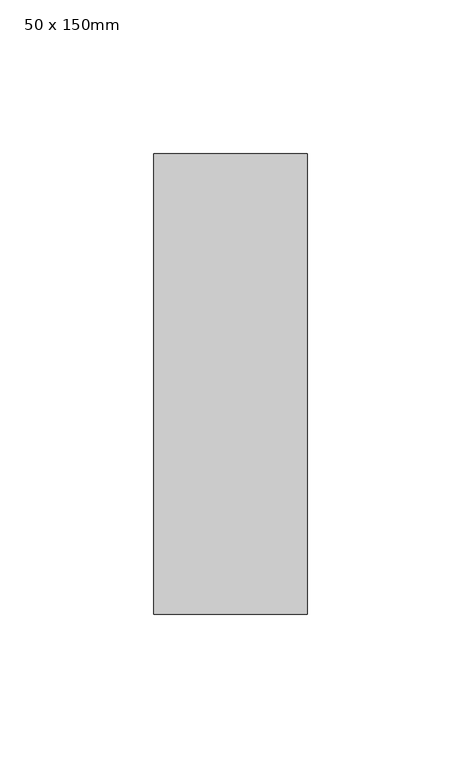
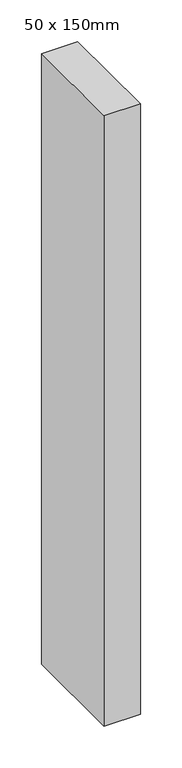
"""IFC4 building model written with IfcOpenShell, lengths in millimetres: member geometry, 50 x 150mm."""

from ifc_helpers import new_model, si_unit, frame, origin, place, context, project, spatial, polyline, outline, extrude, source, transform, mapped, element, save


def member_50_x_150mm_cdf7083a(model_context):
    return source(origin(), model_context, "Body", "SweptSolid", [
        extrude(outline(polyline([(0.0, 75.0), (0.0, -75.0), (-50.0, -75.0), (-50.0, 75.0), (0.0, 75.0)])), frame((0.0, 0.0, -892.4013399), z_axis=(0.0, 0.0, 1.0), x_axis=(1.0, 0.0, 0.0)), (0.0, 0.0, 1.0), 892.4013399),
    ])


if __name__ == "__main__":
    model = new_model("IFC4")
    model_context = context("Model", 3, world=origin())
    ifc_project = project(units=[si_unit("LENGTHUNIT", "METRE", prefix="MILLI")], contexts=[model_context])
    site = spatial("IfcSite", under=ifc_project)
    building = spatial("IfcBuilding", under=site)
    placement = place(None, origin())
    member_50_x_150mm_shape = member_50_x_150mm_cdf7083a(model_context)
    element("IfcMember", 1, ObjectType="50 x 150mm", at=placement, inside=building, context=model_context, shape_type="MappedRepresentation", body=[
        mapped(member_50_x_150mm_shape, transform((0.0, 0.0, 0.0), x_axis=(1.0, 0.0, 0.0), y_axis=(0.0, 1.0, 0.0), z_axis=(0.0, 0.0, 1.0))),
    ])
    save(model, "model.ifc")
